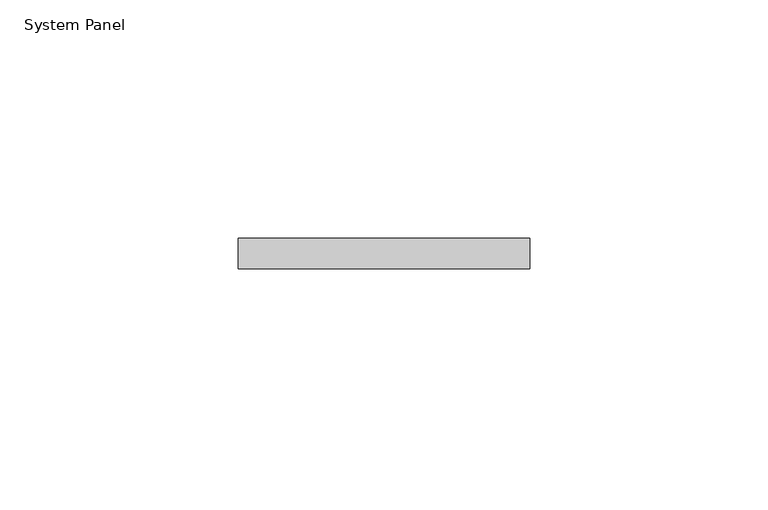
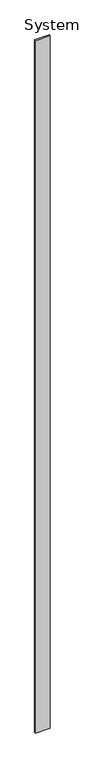
"""IFC4 building model written with IfcOpenShell, lengths in millimetres: plate geometry, System Panel."""

from ifc_helpers import new_model, si_unit, origin, origin_with_axes, place, context, project, spatial, polyline, outline, extrude, source, transform, mapped, element, save


def system_panel_3bf8f830(model_context):
    return source(origin(), model_context, "Body", "SweptSolid", [
        extrude(outline(polyline([(30.5273655, -6.35), (-30.5273655, -6.35), (-30.5273655, 0.0), (30.5273655, 0.0), (30.5273655, -6.35)])), origin_with_axes(), (0.0, 0.0, 1.0), 3048.0),
    ])


if __name__ == "__main__":
    model = new_model("IFC4")
    model_context = context("Model", 3, world=origin())
    ifc_project = project(units=[si_unit("LENGTHUNIT", "METRE", prefix="MILLI")], contexts=[model_context])
    site = spatial("IfcSite", under=ifc_project)
    building = spatial("IfcBuilding", under=site)
    placement = place(None, origin())
    system_panel_shape = system_panel_3bf8f830(model_context)
    element("IfcPlate", 1, ObjectType="System Panel", at=placement, inside=building, context=model_context, shape_type="MappedRepresentation", body=[
        mapped(system_panel_shape, transform((0.0, 0.0, 0.0), x_axis=(1.0, 0.0, 0.0), y_axis=(0.0, 1.0, 0.0), z_axis=(0.0, 0.0, 1.0))),
    ])
    save(model, "model.ifc")
